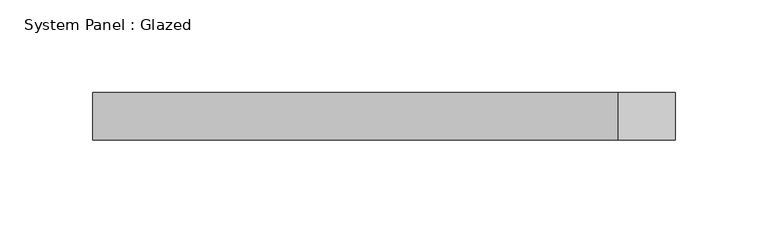
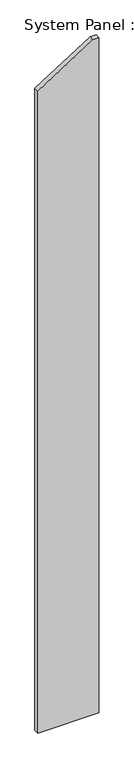
"""IFC4 building model written with IfcOpenShell, lengths in millimetres: plate geometry, System Panel : Glazed."""

from ifc_helpers import new_model, si_unit, frame, origin, place, context, project, spatial, polyline, outline, extrude, source, transform, mapped, element, save


def system_panel_glazed_5dc6cbf3(model_context):
    return source(origin(), model_context, "Body", "SweptSolid", [
        extrude(outline(polyline([(0.0, -156.7894245), (0.0, 156.7894245), (3657.6, 156.7894245), (3657.6, 126.2456548), (3477.7799186, -156.7894245), (0.0, -156.7894245)])), frame((0.0, 19.05, 0.0), z_axis=(0.0, 1.0, 0.0), x_axis=(0.0, 0.0, 1.0)), (0.0, 0.0, 1.0), 25.4),
    ])


if __name__ == "__main__":
    model = new_model("IFC4")
    model_context = context("Model", 3, world=origin())
    ifc_project = project(units=[si_unit("LENGTHUNIT", "METRE", prefix="MILLI")], contexts=[model_context])
    site = spatial("IfcSite", under=ifc_project)
    building = spatial("IfcBuilding", under=site)
    placement = place(None, origin())
    system_panel_glazed_shape = system_panel_glazed_5dc6cbf3(model_context)
    element("IfcPlate", 1, ObjectType="System Panel : Glazed", at=placement, inside=building, context=model_context, shape_type="MappedRepresentation", body=[
        mapped(system_panel_glazed_shape, transform((0.0, 0.0, 0.0), x_axis=(1.0, 0.0, 0.0), y_axis=(0.0, 1.0, 0.0), z_axis=(0.0, 0.0, 1.0))),
    ])
    save(model, "model.ifc")
